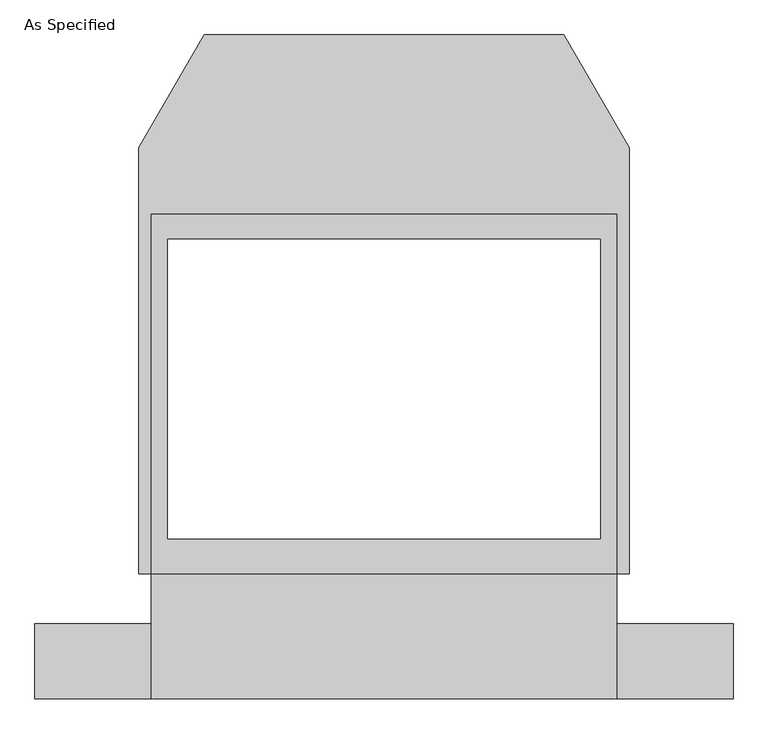
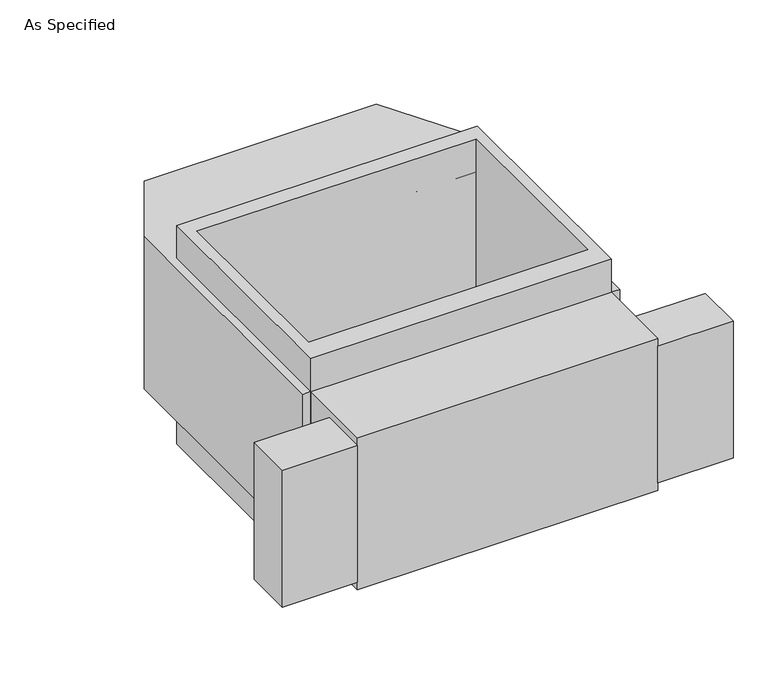
"""IFC4 building model written with IfcOpenShell, lengths in millimetres: proxy geometry, As Specified."""

from ifc_helpers import new_model, si_unit, frame, origin, place, context, project, spatial, polyline, outline, extrude, source, transform, mapped, element, save


def as_specified_7a837de1(model_context):
    return source(origin(), model_context, "Body", "SweptSolid", [
        extrude(outline(polyline([(711.2, -1014.1148438), (711.2, -785.5148438), (1066.8, -785.5148438), (1066.8, -1014.1148438), (711.2, -1014.1148438)])), frame((0.0, 0.0, -749.3), z_axis=(0.0, 0.0, 1.0), x_axis=(1.0, 0.0, 0.0)), (0.0, 0.0, 1.0), 685.8),
        extrude(outline(polyline([(-711.2, -1014.1148438), (-1066.8, -1014.1148438), (-1066.8, -785.5148438), (-711.2, -785.5148438), (-711.2, -1014.1148438)])), frame((0.0, 0.0, -749.3), z_axis=(0.0, 0.0, 1.0), x_axis=(1.0, 0.0, 0.0)), (0.0, 0.0, 1.0), 685.8),
        extrude(outline(polyline([(711.2, 465.4351562), (711.2, -633.1148438), (-711.2, -633.1148438), (-711.2, 465.4351562), (711.2, 465.4351562)]), holes=[polyline([(-660.4, 389.2748437), (-660.4, -525.1251563), (660.4, -525.1251563), (660.4, 389.2748437), (-660.4, 389.2748437)])]), frame((0.0, 0.0, -952.5), z_axis=(0.0, 0.0, 1.0), x_axis=(1.0, 0.0, 0.0)), (0.0, 0.0, 1.0), 1092.2),
        extrude(outline(polyline([(711.2, -1014.1148438), (-711.2, -1014.1148438), (-711.2, -633.1148438), (-749.3, -633.1148438), (-749.3, 668.6748437), (-549.860123, 1014.1148437), (549.860123, 1014.1148437), (749.3, 668.6748437), (749.3, -633.1148438), (711.2, -633.1148438), (711.2, -1014.1148438)]), holes=[polyline([(660.4, -525.1251563), (660.4, 389.2748437), (-660.4, 389.2748437), (-660.4, -525.1251563), (660.4, -525.1251563)])]), frame((0.0, 0.0, -787.4), z_axis=(0.0, 0.0, 1.0), x_axis=(1.0, 0.0, 0.0)), (0.0, 0.0, 1.0), 762.0),
    ])


if __name__ == "__main__":
    model = new_model("IFC4")
    model_context = context("Model", 3, world=origin())
    ifc_project = project(units=[si_unit("LENGTHUNIT", "METRE", prefix="MILLI")], contexts=[model_context])
    site = spatial("IfcSite", under=ifc_project)
    building = spatial("IfcBuilding", under=site)
    placement = place(None, origin())
    as_specified_shape = as_specified_7a837de1(model_context)
    element("IfcBuildingElementProxy", 1, Name="As Specified", ObjectType="As Specified", at=placement, inside=building, context=model_context, shape_type="MappedRepresentation", body=[
        mapped(as_specified_shape, transform((0.0, 0.0, 0.0), x_axis=(1.0, 0.0, 0.0), y_axis=(0.0, 1.0, 0.0), z_axis=(0.0, 0.0, 1.0))),
    ])
    save(model, "model.ifc")
